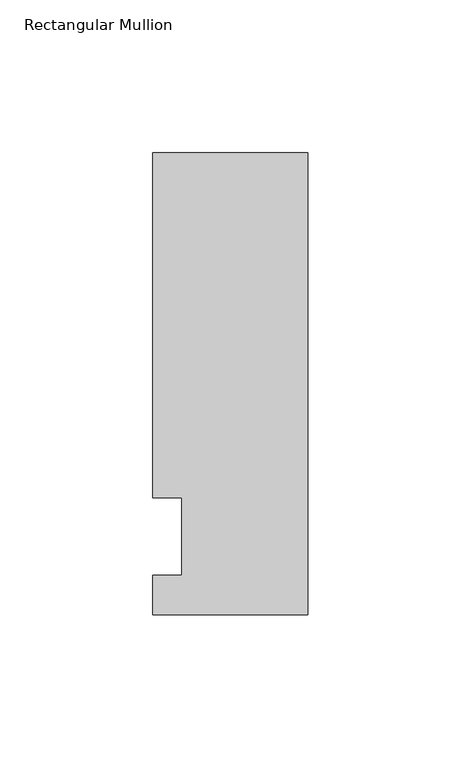
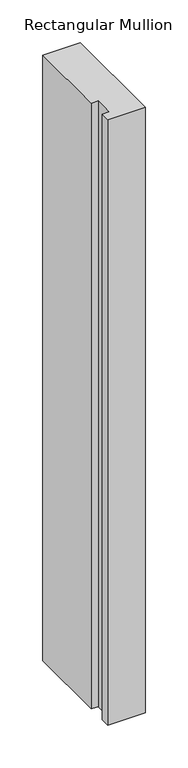
"""IFC4 building model written with IfcOpenShell, lengths in millimetres: member geometry, Rectangular Mullion."""

from ifc_helpers import new_model, si_unit, frame, origin, place, context, project, spatial, polyline, outline, extrude, source, transform, mapped, element, save


def rectangular_mullion_1186c253(model_context):
    return source(origin(), model_context, "Body", "SweptSolid", [
        extrude(outline(polyline([(-50.8, -25.5984375), (-50.8, -12.7), (-41.275, -12.7), (-41.275, 12.7), (-50.8, 12.7), (-50.8, 125.6109375), (0.0, 125.6109375), (0.0, -25.5984375), (-50.8, -25.5984375)])), frame((0.0, 0.0, -863.6), z_axis=(0.0, 0.0, 1.0), x_axis=(1.0, 0.0, 0.0)), (0.0, 0.0, 1.0), 863.6),
    ])


if __name__ == "__main__":
    model = new_model("IFC4")
    model_context = context("Model", 3, world=origin())
    ifc_project = project(units=[si_unit("LENGTHUNIT", "METRE", prefix="MILLI")], contexts=[model_context])
    site = spatial("IfcSite", under=ifc_project)
    building = spatial("IfcBuilding", under=site)
    placement = place(None, origin())
    rectangular_mullion_shape = rectangular_mullion_1186c253(model_context)
    element("IfcMember", 1, ObjectType="Rectangular Mullion", at=placement, inside=building, context=model_context, shape_type="MappedRepresentation", body=[
        mapped(rectangular_mullion_shape, transform((0.0, 0.0, 0.0), x_axis=(1.0, 0.0, 0.0), y_axis=(0.0, 1.0, 0.0), z_axis=(0.0, 0.0, 1.0))),
    ])
    save(model, "model.ifc")
